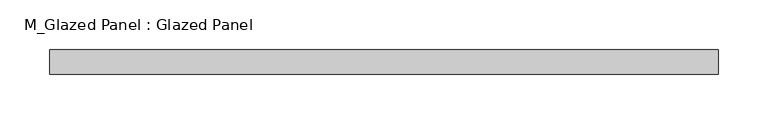
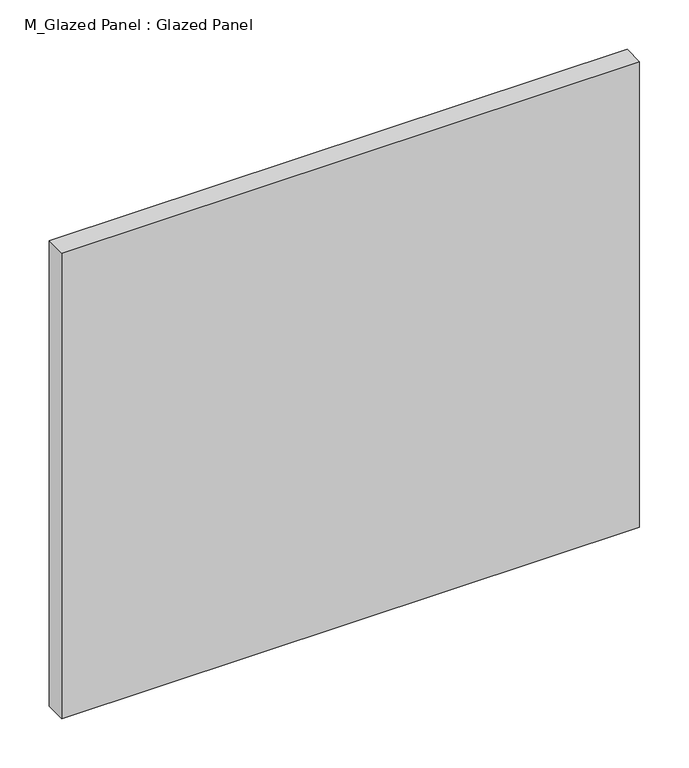
"""IFC4 building model written with IfcOpenShell, lengths in millimetres: plate geometry, M_Glazed Panel : Glazed Panel."""

from ifc_helpers import new_model, si_unit, origin, origin_with_axes, place, context, project, spatial, polyline, outline, extrude, source, transform, mapped, element, save


def m_glazed_panel_glazed_panel_1ebd8ea3(model_context):
    return source(origin(), model_context, "Body", "SweptSolid", [
        extrude(outline(polyline([(337.4452529, 38.5), (-337.4452529, 38.5), (-337.4452529, 63.5), (337.4452529, 63.5), (337.4452529, 38.5)])), origin_with_axes(), (0.0, 0.0, 1.0), 575.0),
    ])


if __name__ == "__main__":
    model = new_model("IFC4")
    model_context = context("Model", 3, world=origin())
    ifc_project = project(units=[si_unit("LENGTHUNIT", "METRE", prefix="MILLI")], contexts=[model_context])
    site = spatial("IfcSite", under=ifc_project)
    building = spatial("IfcBuilding", under=site)
    placement = place(None, origin())
    m_glazed_panel_glazed_panel_shape = m_glazed_panel_glazed_panel_1ebd8ea3(model_context)
    element("IfcPlate", 1, ObjectType="M_Glazed Panel : Glazed Panel", at=placement, inside=building, context=model_context, shape_type="MappedRepresentation", body=[
        mapped(m_glazed_panel_glazed_panel_shape, transform((0.0, 0.0, 0.0), x_axis=(1.0, 0.0, 0.0), y_axis=(0.0, 1.0, 0.0), z_axis=(0.0, 0.0, 1.0))),
    ])
    save(model, "model.ifc")
